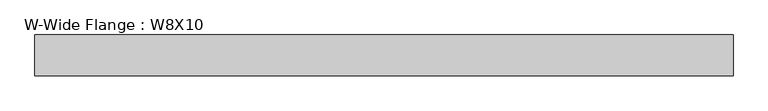
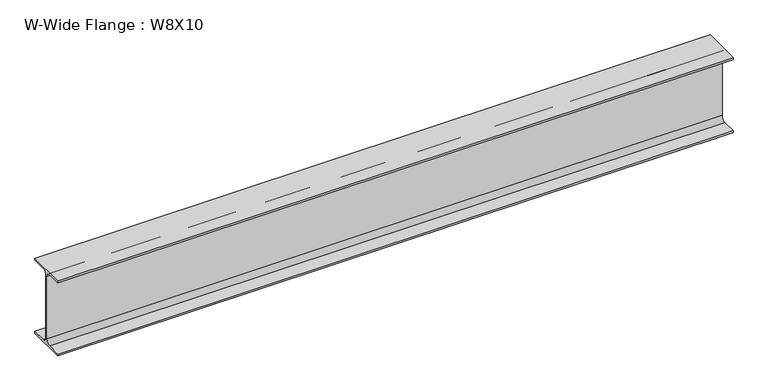
"""IFC4 building model written with IfcOpenShell, lengths in millimetres: beam geometry, W-Wide Flange : W8X10."""

from ifc_helpers import new_model, si_unit, point, frame, frame_2d, origin, place, context, project, spatial, polyline, circle_curve, trimmed, segment, composite_curve, outline, extrude, source, transform, mapped, element, save


def w_wide_flange_w8x10_2789f3c6(model_context):
    return source(origin(), model_context, "Body", "SweptSolid", [
        extrude(outline(composite_curve([segment(polyline([(50.0558594, -95.0515625), (50.0558594, -100.2109375), (-50.0558594, -100.2109375), (-50.0558594, -95.0515625), (-14.4859375, -95.0515625)]), True, "CONTINUOUS"), segment(trimmed(circle_curve(frame_2d((-14.4859375, -82.7484375)), 12.303125), [point((-14.4859375, -95.0515625))], [point((-2.1828125, -82.7484375))], True, "CARTESIAN"), True, "CONTINUOUS"), segment(polyline([(-2.1828125, -82.7484375), (-2.1828125, 82.7484375)]), True, "CONTINUOUS"), segment(trimmed(circle_curve(frame_2d((-14.4859375, 82.7484375)), 12.303125), [point((-2.1828125, 82.7484375))], [point((-14.4859375, 95.0515625))], True, "CARTESIAN"), True, "CONTINUOUS"), segment(polyline([(-14.4859375, 95.0515625), (-50.0558594, 95.0515625), (-50.0558594, 100.2109375), (50.0558594, 100.2109375), (50.0558594, 95.0515625), (14.4859375, 95.0515625)]), True, "CONTINUOUS"), segment(trimmed(circle_curve(frame_2d((14.4859375, 82.7484375)), 12.303125), [point((14.4859375, 95.0515625))], [point((2.1828125, 82.7484375))], True, "CARTESIAN"), True, "CONTINUOUS"), segment(polyline([(2.1828125, 82.7484375), (2.1828125, -82.7484375)]), True, "CONTINUOUS"), segment(trimmed(circle_curve(frame_2d((14.4859375, -82.7484375)), 12.303125), [point((2.1828125, -82.7484375))], [point((14.4859375, -95.0515625))], True, "CARTESIAN"), True, "CONTINUOUS"), segment(polyline([(14.4859375, -95.0515625), (50.0558594, -95.0515625)]), True, "CONTINUOUS")], self_intersect=False)), frame((-851.3960938, 0.0, 0.0), z_axis=(1.0, 0.0, 0.0), x_axis=(0.0, 1.0, 0.0)), (0.0, 0.0, 1.0), 1702.7921875),
    ])


if __name__ == "__main__":
    model = new_model("IFC4")
    model_context = context("Model", 3, world=origin())
    ifc_project = project(units=[si_unit("LENGTHUNIT", "METRE", prefix="MILLI")], contexts=[model_context])
    site = spatial("IfcSite", under=ifc_project)
    building = spatial("IfcBuilding", under=site)
    placement = place(None, origin())
    w_wide_flange_w8x10_shape = w_wide_flange_w8x10_2789f3c6(model_context)
    element("IfcBeam", 1, ObjectType="W-Wide Flange : W8X10", at=placement, inside=building, context=model_context, shape_type="MappedRepresentation", body=[
        mapped(w_wide_flange_w8x10_shape, transform((0.0, 0.0, 0.0), x_axis=(1.0, 0.0, 0.0), y_axis=(0.0, 1.0, 0.0), z_axis=(0.0, 0.0, 1.0))),
    ])
    save(model, "model.ifc")
